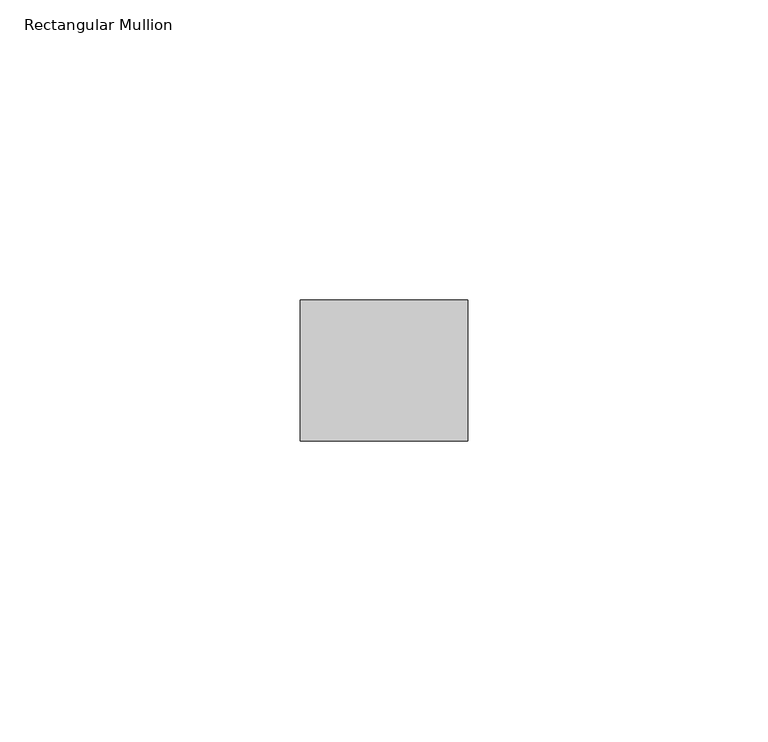
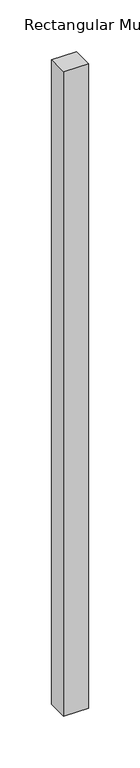
"""IFC4 building model written with IfcOpenShell, lengths in millimetres: member geometry, Rectangular Mullion."""

import ifcopenshell
import ifcopenshell.guid

model = None  # the IFC model being written
_history = None  # IfcOwnerHistory: only IFC2X3 demands one
_inside = {}  # id of a spatial element -> (the spatial element, [elements in it])
_under = {}  # id of a project, library or spatial element -> (it, [spatial elements below it])
_declared = {}  # id of a project -> (the project, [libraries it declares])
_typed = {}  # id of a type object -> (the type object, [elements of that type])
_made_of = {}  # id of a material, layer set ... -> (it, [elements and type objects made of it])


def new_model(schema):
    """Start an empty IFC model of exactly this schema.

    Asked for "IFC4X3", IfcOpenShell would pick the latest addendum, in which some entities
    have other attributes; the version numbers below select the first issue.
    IFC2X3 requires an IfcOwnerHistory on every rooted entity: one is made here for all.
    """
    global model, _history
    if schema == "IFC4X3":
        model = ifcopenshell.file(schema_version=(4, 3, 0, 0))
    else:
        model = ifcopenshell.file(schema=schema)
    _inside.clear()
    _under.clear()
    _declared.clear()
    _typed.clear()
    _made_of.clear()
    _history = None
    if model.schema == "IFC2X3":
        org = make("IfcOrganization", Name="unknown")
        user = make(
            "IfcPersonAndOrganization",
            ThePerson=make("IfcPerson", FamilyName="unknown"),
            TheOrganization=org,
        )
        app = make(
            "IfcApplication",
            ApplicationDeveloper=org,
            Version="unknown",
            ApplicationFullName="unknown",
            ApplicationIdentifier="unknown",
        )
        _history = make(
            "IfcOwnerHistory",
            OwningUser=user,
            OwningApplication=app,
            ChangeAction="ADDED",
            CreationDate=0,
        )
    return model


def make(cls, **values):
    """One entity of the class cls with the attributes given. An attribute that is None is left unset."""
    return model.create_entity(
        cls, **{name: value for name, value in values.items() if value is not None}
    )


def rooted(cls, **values):
    """An entity with a GlobalId (a new one), such as an element, a storey or a relation."""
    return make(cls, GlobalId=ifcopenshell.guid.new(), OwnerHistory=_history, **values)


def si_unit(unit_type, name, prefix=None):
    """IfcSIUnit, for example si_unit("LENGTHUNIT", "METRE", prefix="MILLI")."""
    return make("IfcSIUnit", UnitType=unit_type, Prefix=prefix, Name=name)


def assignment(units):
    """IfcUnitAssignment: the units of a project."""
    return None if units is None else make("IfcUnitAssignment", Units=units)


def point(xyz):
    """IfcCartesianPoint."""
    return None if xyz is None else make("IfcCartesianPoint", Coordinates=xyz)


def direction(xyz):
    """IfcDirection."""
    return None if xyz is None else make("IfcDirection", DirectionRatios=xyz)


def frame(location, z_axis=None, x_axis=None):
    """IfcAxis2Placement3D, a coordinate frame: its origin and axes. An axis left out is left unset."""
    return make(
        "IfcAxis2Placement3D",
        Location=point(location),
        Axis=direction(z_axis),
        RefDirection=direction(x_axis),
    )


def origin():
    """The frame at (0, 0, 0) with its axes left unset."""
    return frame((0.0, 0.0, 0.0))


def place(relative_to, where):
    """IfcLocalPlacement: puts the frame where relative to a parent placement (None: the world)."""
    return make(
        "IfcLocalPlacement", PlacementRelTo=relative_to, RelativePlacement=where
    )


def context(
    kind, dimensions, precision=None, world=None, true_north=None, identifier=None
):
    """IfcGeometricRepresentationContext, for example the 3D "Model" context."""
    return make(
        "IfcGeometricRepresentationContext",
        ContextIdentifier=identifier,
        ContextType=kind,
        CoordinateSpaceDimension=dimensions,
        Precision=precision,
        WorldCoordinateSystem=world,
        TrueNorth=true_north,
    )


def project(units=None, contexts=None):
    """IfcProject with its units and contexts."""
    return rooted(
        "IfcProject",
        Name="project",
        RepresentationContexts=contexts,
        UnitsInContext=assignment(units),
    )


def spatial(cls, under=None, at=None, **own):
    """A site, building, storey or space (cls), placed at a placement, below another one or the project."""
    s = rooted(cls, ObjectPlacement=at, **own)
    if under is not None:
        _under.setdefault(under.id(), (under, []))[1].append(s)
    return s


def polyline(points):
    """IfcPolyline through the points."""
    return make("IfcPolyline", Points=[point(p) for p in points])


def outline(outer, holes=None, kind="AREA"):
    """IfcArbitraryClosedProfileDef: a profile drawn as a closed curve; with holes, ...WithVoids."""
    if holes is None:
        return make("IfcArbitraryClosedProfileDef", ProfileType=kind, OuterCurve=outer)
    return make(
        "IfcArbitraryProfileDefWithVoids",
        ProfileType=kind,
        OuterCurve=outer,
        InnerCurves=holes,
    )


def extrude(swept, where, along, depth):
    """IfcExtrudedAreaSolid: the profile swept, set in the frame where, extruded along a direction by depth."""
    return make(
        "IfcExtrudedAreaSolid",
        SweptArea=swept,
        Position=where,
        ExtrudedDirection=direction(along),
        Depth=depth,
    )


def shape(context_of_items, identifier, shape_type, items):
    """IfcShapeRepresentation: the items that make up one representation, for example the "Body"."""
    return make(
        "IfcShapeRepresentation",
        ContextOfItems=context_of_items,
        RepresentationIdentifier=identifier,
        RepresentationType=shape_type,
        Items=items,
    )


def source(mapping_origin, context_of_items, identifier, shape_type, items):
    """IfcRepresentationMap: a shape defined once, which mapped items show again and again."""
    return make(
        "IfcRepresentationMap",
        MappingOrigin=mapping_origin,
        MappedRepresentation=shape(context_of_items, identifier, shape_type, items),
    )


def transform(
    local_origin,
    x_axis=None,
    y_axis=None,
    z_axis=None,
    scale=None,
    scale2=None,
    scale3=None,
    uniform=True,
):
    """IfcCartesianTransformationOperator3D, or its non-uniform kind. x_axis, y_axis, z_axis: its Axis1, 2, 3."""
    if uniform:
        return make(
            "IfcCartesianTransformationOperator3D",
            Axis1=direction(x_axis),
            Axis2=direction(y_axis),
            LocalOrigin=point(local_origin),
            Scale=scale,
            Axis3=direction(z_axis),
        )
    return make(
        "IfcCartesianTransformationOperator3DnonUniform",
        Axis1=direction(x_axis),
        Axis2=direction(y_axis),
        LocalOrigin=point(local_origin),
        Scale=scale,
        Axis3=direction(z_axis),
        Scale2=scale2,
        Scale3=scale3,
    )


def mapped(mapping_source, mapping_target):
    """IfcMappedItem: shows the shape of a source again, moved by a transform."""
    return make(
        "IfcMappedItem", MappingSource=mapping_source, MappingTarget=mapping_target
    )


def made_of(thing, what):
    """Note that an element or type object is made of a material, layer set ...; save() writes the relation."""
    if what is not None:
        _made_of.setdefault(what.id(), (what, []))[1].append(thing)
    return thing


def element(
    cls,
    number,
    at=None,
    inside=None,
    cuts=None,
    type_object=None,
    material=None,
    context=None,
    identifier="Body",
    shape_type=None,
    held_by="IfcProductDefinitionShape",
    body=None,
    shapes=None,
    **own,
):
    """One element of the class cls, such as IfcWall. Its Tag is "e" and its number.

    at: its placement. inside: the storey or other place that contains it. cuts: it is an
    opening in that element (IfcRelVoidsElement). A single representation is given by context,
    identifier, shape_type and body (its items); several are given by shapes. held_by: the class
    of the entity that holds the representations. save() writes the other relations.
    """
    e = rooted(cls, Tag="e%d" % number, ObjectPlacement=at, **own)
    if body is not None:
        shapes = [shape(context, identifier, shape_type, body)]
    if shapes is not None:
        e.Representation = make(held_by, Representations=shapes)
    if inside is not None:
        _inside.setdefault(inside.id(), (inside, []))[1].append(e)
    if cuts is not None:
        rooted(
            "IfcRelVoidsElement", RelatingBuildingElement=cuts, RelatedOpeningElement=e
        )
    if type_object is not None:
        _typed.setdefault(type_object.id(), (type_object, []))[1].append(e)
    return made_of(e, material)


def aggregate(whole, parts):
    """IfcRelAggregates: a whole, such as a stair, and the parts it consists of."""
    return rooted("IfcRelAggregates", RelatingObject=whole, RelatedObjects=parts)


def save(model, path):
    """Write the relations noted so far, then the file.

    IfcRelAggregates (storeys below a building ...), IfcRelContainedInSpatialStructure (elements
    in a storey), IfcRelDefinesByType, IfcRelAssociatesMaterial and IfcRelDeclares: one each for
    every whole, place, type object, material and project.
    """
    for whole, parts in _under.values():
        aggregate(whole, parts)
    for where, things in _inside.values():
        rooted(
            "IfcRelContainedInSpatialStructure",
            RelatedElements=things,
            RelatingStructure=where,
        )
    for kind, things in _typed.values():
        rooted("IfcRelDefinesByType", RelatedObjects=things, RelatingType=kind)
    for what, things in _made_of.values():
        rooted("IfcRelAssociatesMaterial", RelatedObjects=things, RelatingMaterial=what)
    for by, libraries in _declared.values():
        rooted("IfcRelDeclares", RelatingContext=by, RelatedDefinitions=libraries)
    model.write(path)


def rectangular_mullion_b2b5b136(model_context):
    return source(origin(), model_context, "Body", "SweptSolid", [
        extrude(outline(polyline([(0.0, 11.7474999), (0.0, -11.7474999), (-27.94, -11.7474999), (-27.94, 11.7474999), (0.0, 11.7474999)])), frame((0.0, 0.0, -762.0), z_axis=(0.0, 0.0, 1.0), x_axis=(1.0, 0.0, 0.0)), (0.0, 0.0, 1.0), 762.0),
    ])


if __name__ == "__main__":
    model = new_model("IFC4")
    model_context = context("Model", 3, world=origin())
    ifc_project = project(units=[si_unit("LENGTHUNIT", "METRE", prefix="MILLI")], contexts=[model_context])
    site = spatial("IfcSite", under=ifc_project)
    building = spatial("IfcBuilding", under=site)
    placement = place(None, origin())
    rectangular_mullion_shape = rectangular_mullion_b2b5b136(model_context)
    element("IfcMember", 1, ObjectType="Rectangular Mullion", at=placement, inside=building, context=model_context, shape_type="MappedRepresentation", body=[
        mapped(rectangular_mullion_shape, transform((0.0, 0.0, 0.0), x_axis=(1.0, 0.0, 0.0), y_axis=(0.0, 1.0, 0.0), z_axis=(0.0, 0.0, 1.0))),
    ])
    save(model, "model.ifc")
